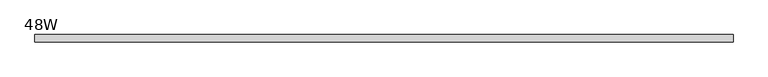
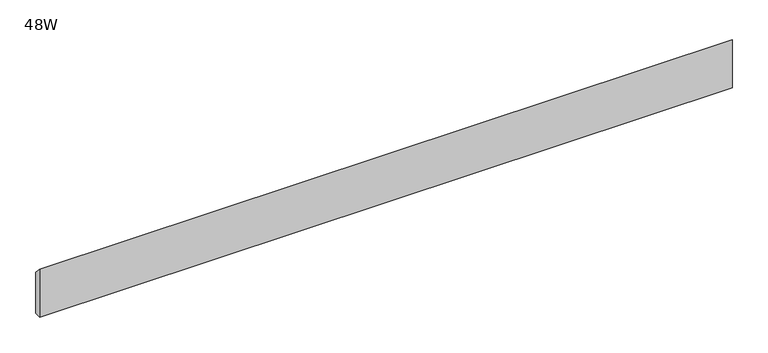
"""IFC4 building model written with IfcOpenShell, lengths in millimetres: furniture geometry, 48W."""

from ifc_helpers import new_model, si_unit, frame, origin, place, context, project, spatial, polyline, outline, extrude, source, transform, mapped, element, save


def furniture_48w_d50f2a3e(model_context):
    return source(origin(), model_context, "Body", "SweptSolid", [
        extrude(outline(polyline([(-11.938, 933.45), (-11.938, 1016.0), (0.0, 1003.3), (0.0, 933.45), (-11.938, 933.45)])), frame((48.006, 0.0, 0.0), z_axis=(1.0, 0.0, 0.0), x_axis=(0.0, 1.0, 0.0)), (0.0, 0.0, 1.0), 1123.188),
    ])


if __name__ == "__main__":
    model = new_model("IFC4")
    model_context = context("Model", 3, world=origin())
    ifc_project = project(units=[si_unit("LENGTHUNIT", "METRE", prefix="MILLI")], contexts=[model_context])
    site = spatial("IfcSite", under=ifc_project)
    building = spatial("IfcBuilding", under=site)
    placement = place(None, origin())
    furniture_48w_shape = furniture_48w_d50f2a3e(model_context)
    element("IfcFurniture", 1, ObjectType="48W", at=placement, inside=building, context=model_context, shape_type="MappedRepresentation", body=[
        mapped(furniture_48w_shape, transform((0.0, 0.0, 0.0), x_axis=(1.0, 0.0, 0.0), y_axis=(0.0, 1.0, 0.0), z_axis=(0.0, 0.0, 1.0))),
    ])
    save(model, "model.ifc")
